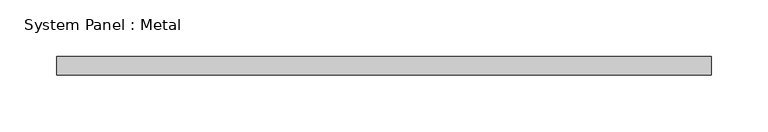
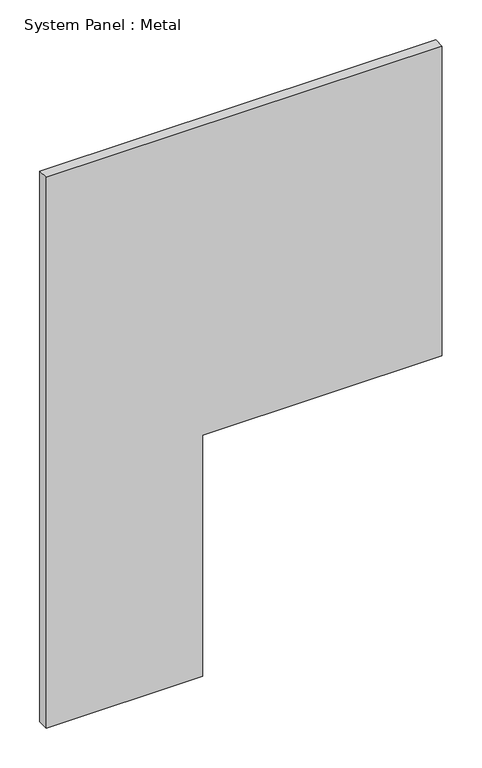
"""IFC4 building model written with IfcOpenShell, lengths in millimetres: plate geometry, System Panel : Metal."""

from ifc_helpers import new_model, si_unit, frame, origin, place, context, project, spatial, polyline, outline, extrude, source, transform, mapped, element, save


def system_panel_metal_5f01b927(model_context):
    return source(origin(), model_context, "Body", "SweptSolid", [
        extrude(outline(polyline([(0.0, -287.5), (0.0, -60.5742792), (370.0, -60.5742792), (370.0, 287.5), (845.0, 287.5), (845.0, -287.5), (0.0, -287.5)])), frame((0.0, -85.0, 0.0), z_axis=(0.0, 1.0, 0.0), x_axis=(0.0, 0.0, 1.0)), (0.0, 0.0, 1.0), 16.0),
    ])


if __name__ == "__main__":
    model = new_model("IFC4")
    model_context = context("Model", 3, world=origin())
    ifc_project = project(units=[si_unit("LENGTHUNIT", "METRE", prefix="MILLI")], contexts=[model_context])
    site = spatial("IfcSite", under=ifc_project)
    building = spatial("IfcBuilding", under=site)
    placement = place(None, origin())
    system_panel_metal_shape = system_panel_metal_5f01b927(model_context)
    element("IfcPlate", 1, ObjectType="System Panel : Metal", at=placement, inside=building, context=model_context, shape_type="MappedRepresentation", body=[
        mapped(system_panel_metal_shape, transform((0.0, 0.0, 0.0), x_axis=(1.0, 0.0, 0.0), y_axis=(0.0, 1.0, 0.0), z_axis=(0.0, 0.0, 1.0))),
    ])
    save(model, "model.ifc")
